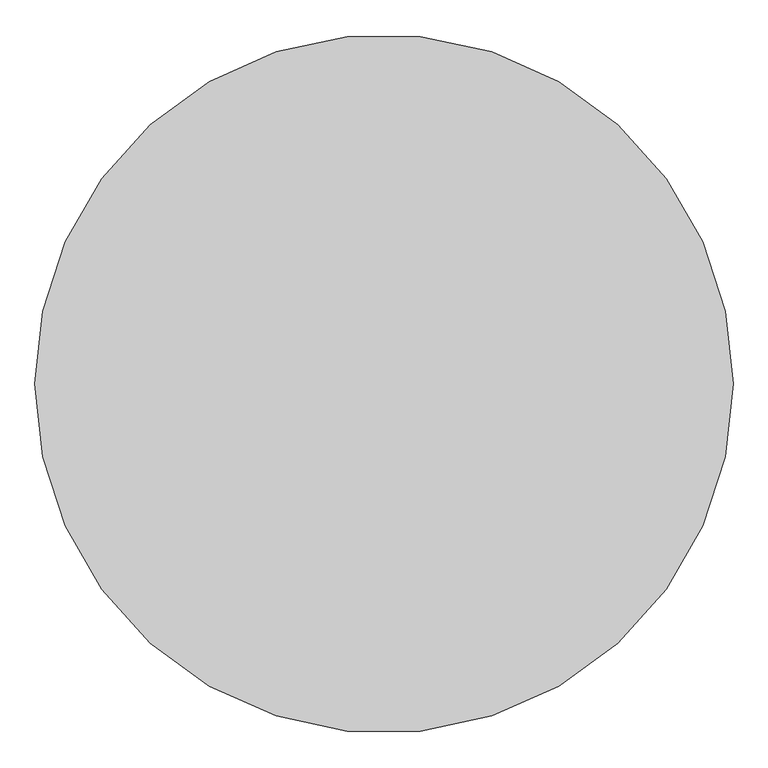
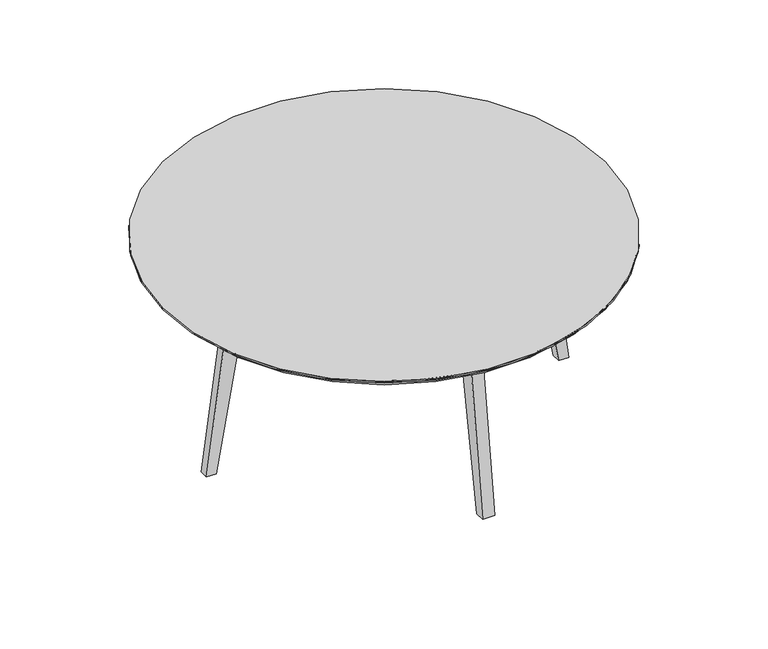
"""IFC4 building model written with IfcOpenShell, lengths in millimetres: furniture geometry."""

from ifc_helpers import new_model, si_unit, point, frame, frame_2d, origin, place, context, project, spatial, polyline, circle_curve, trimmed, segment, composite_curve, outline, extrude, source, transform, mapped, element, save
from ifc_brep_helpers import plane_surface, revolved_surface, advanced_brep


def furniture_b50e2d3e(model_context):
    return source(origin(), model_context, "Body", "SolidModel", [
        extrude(outline(composite_curve([segment(polyline([(-421.25, 0.0), (-446.25, 0.0), (-387.0063761, 450.0), (394.5063761, 450.0), (453.75, 0.0), (428.75, 0.0), (364.3167903, 365.4188907)]), True, "CONTINUOUS"), segment(trimmed(circle_curve(frame_2d((305.2283251, 355.0)), 60.0), [point((364.3167903, 365.4188907))], [point((305.2283251, 415.0))], True, "CARTESIAN"), True, "CONTINUOUS"), segment(polyline([(305.2283251, 415.0), (-297.7283251, 415.0)]), True, "CONTINUOUS"), segment(trimmed(circle_curve(frame_2d((-297.7283251, 355.0)), 60.0), [point((-297.7283251, 415.0))], [point((-356.8167903, 365.4188907))], True, "CARTESIAN"), True, "CONTINUOUS"), segment(polyline([(-356.8167903, 365.4188907), (-421.25, 0.0)]), True, "CONTINUOUS")], self_intersect=False)), frame((-15.0, 0.0, 0.0), z_axis=(1.0, 0.0, 0.0), x_axis=(0.0, 1.0, 0.0)), (0.0, 0.0, 1.0), 30.0),
        extrude(outline(composite_curve([segment(polyline([(450.0, -390.7563761), (0.0, -450.0), (0.0, -425.0), (365.4188907, -360.5667903)]), True, "CONTINUOUS"), segment(trimmed(circle_curve(frame_2d((355.0, -301.4783251)), 60.0), [point((365.4188907, -360.5667903))], [point((415.0, -301.4783251))], True, "CARTESIAN"), True, "CONTINUOUS"), segment(polyline([(415.0, -301.4783251), (415.0, 301.4783251)]), True, "CONTINUOUS"), segment(trimmed(circle_curve(frame_2d((355.0, 301.4783251)), 60.0), [point((415.0, 301.4783251))], [point((365.4188907, 360.5667903))], True, "CARTESIAN"), True, "CONTINUOUS"), segment(polyline([(365.4188907, 360.5667903), (0.0, 425.0), (0.0, 450.0), (450.0, 390.7563761), (450.0, -390.7563761)]), True, "CONTINUOUS")], self_intersect=False)), frame((0.0, -11.25, 0.0), z_axis=(0.0, 1.0, 0.0), x_axis=(0.0, 0.0, 1.0)), (0.0, 0.0, 1.0), 22.5),
        extrude(outline(composite_curve([segment(trimmed(circle_curve(frame_2d((0.0, 3.75)), 550.0), [point((-550.0, 3.75))], [point((550.0, 3.75))], False, "CARTESIAN"), True, "CONTINUOUS"), segment(trimmed(circle_curve(frame_2d((0.0, 3.75)), 550.0), [point((550.0, 3.75))], [point((-550.0, 3.75))], False, "CARTESIAN"), True, "CONTINUOUS")], self_intersect=False)), frame((0.0, 0.0, 466.0), z_axis=(0.0, 0.0, 1.0), x_axis=(1.0, 0.0, 0.0)), (0.0, 0.0, 1.0), 4.0),
        advanced_brep(
        [(-550.0, 3.75, 466.0), (550.0, 3.75, 466.0), (-534.0, 3.75, 450.0), (534.0, 3.75, 450.0)],
        [
            (0, 1, circle_curve(frame((0.0, 3.75, 466.0), z_axis=(0.0, 0.0, 1.0), x_axis=(-1.0, 0.0, 0.0)), 550.0)),
            (1, 0, circle_curve(frame((0.0, 3.75, 466.0), z_axis=(0.0, 0.0, 1.0), x_axis=(1.0, 0.0, 0.0)), 550.0)),
            (2, 3, circle_curve(frame((0.0, 3.75, 450.0), z_axis=(0.0, 0.0, -1.0), x_axis=(1.0, 0.0, 0.0)), 534.0)),
            (3, 2, circle_curve(frame((0.0, 3.75, 450.0), z_axis=(0.0, 0.0, -1.0), x_axis=(-1.0, 0.0, 0.0)), 534.0)),
            (3, 1),
            (0, 2),
        ],
        [
            plane_surface(frame((0.0, 3.75, 466.0), z_axis=(0.0, 0.0, 1.0), x_axis=(0.0, -1.0, 0.0))),
            plane_surface(frame((0.0, 3.75, 450.0), z_axis=(0.0, 0.0, -1.0), x_axis=(0.0, -1.0, 0.0))),
            revolved_surface(polyline([(534.0, 3.75, 450.0), (550.0, 3.75, 466.0)]), (0.0, 3.75, -84.0), (0.0, 0.0, 1.0)),
            revolved_surface(polyline([(-534.0, 3.75, 450.0), (-550.0, 3.75, 466.0)]), (0.0, 3.75, -84.0), (0.0, 0.0, 1.0)),
        ],
        [
            (0, [[1, 2]]),
            (1, [[3, 4]]),
            (2, [[-4, 5, -1, 6]]),
            (3, [[-3, -6, -2, -5]]),
        ],
    ),
    ])


if __name__ == "__main__":
    model = new_model("IFC4")
    model_context = context("Model", 3, world=origin())
    ifc_project = project(units=[si_unit("LENGTHUNIT", "METRE", prefix="MILLI")], contexts=[model_context])
    site = spatial("IfcSite", under=ifc_project)
    building = spatial("IfcBuilding", under=site)
    placement = place(None, origin())
    furniture_shape = furniture_b50e2d3e(model_context)
    element("IfcFurniture", 1, at=placement, inside=building, context=model_context, shape_type="MappedRepresentation", body=[
        mapped(furniture_shape, transform((0.0, 0.0, 0.0), x_axis=(1.0, 0.0, 0.0), y_axis=(0.0, 1.0, 0.0), z_axis=(0.0, 0.0, 1.0))),
    ])
    save(model, "model.ifc")
